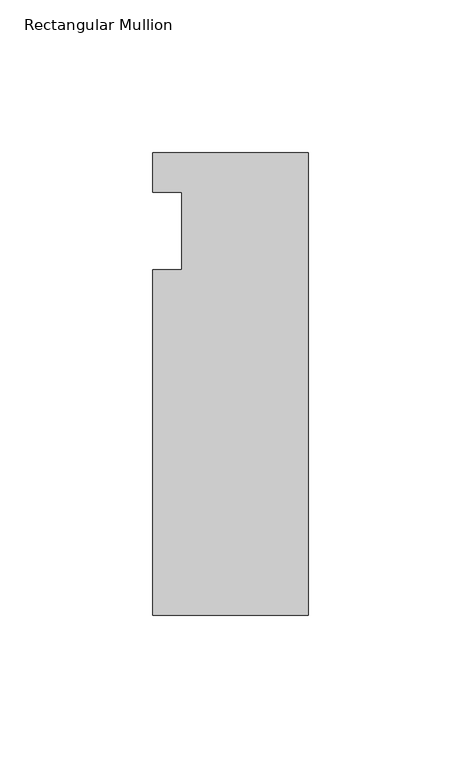
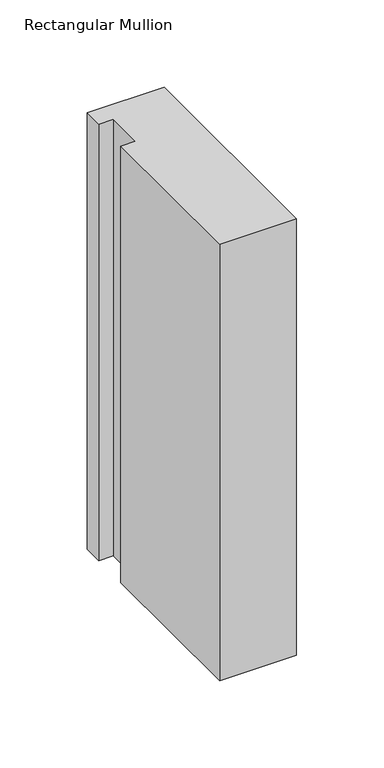
"""IFC4 building model written with IfcOpenShell, lengths in millimetres: member geometry, Rectangular Mullion."""

from ifc_helpers import new_model, si_unit, frame, origin, place, context, project, spatial, polyline, outline, extrude, source, transform, mapped, element, save


def rectangular_mullion_0fb2edcf(model_context):
    return source(origin(), model_context, "Body", "SweptSolid", [
        extrude(outline(polyline([(-50.8, 25.5984375), (0.0, 25.5984375), (0.0, -125.6109375), (-50.8, -125.6109375), (-50.8, -12.7), (-41.275, -12.7), (-41.275, 12.7), (-50.8, 12.7), (-50.8, 25.5984375)])), frame((0.0, 0.0, -304.8), z_axis=(0.0, 0.0, 1.0), x_axis=(1.0, 0.0, 0.0)), (0.0, 0.0, 1.0), 304.8),
    ])


if __name__ == "__main__":
    model = new_model("IFC4")
    model_context = context("Model", 3, world=origin())
    ifc_project = project(units=[si_unit("LENGTHUNIT", "METRE", prefix="MILLI")], contexts=[model_context])
    site = spatial("IfcSite", under=ifc_project)
    building = spatial("IfcBuilding", under=site)
    placement = place(None, origin())
    rectangular_mullion_shape = rectangular_mullion_0fb2edcf(model_context)
    element("IfcMember", 1, ObjectType="Rectangular Mullion", at=placement, inside=building, context=model_context, shape_type="MappedRepresentation", body=[
        mapped(rectangular_mullion_shape, transform((0.0, 0.0, 0.0), x_axis=(1.0, 0.0, 0.0), y_axis=(0.0, 1.0, 0.0), z_axis=(0.0, 0.0, 1.0))),
    ])
    save(model, "model.ifc")
